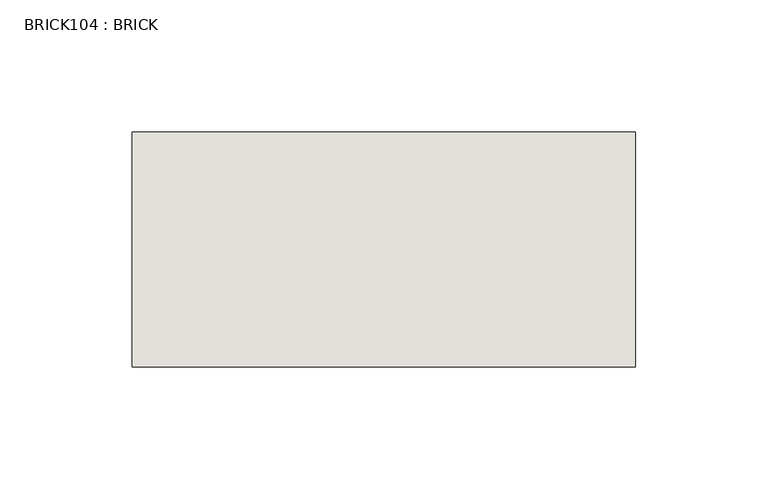
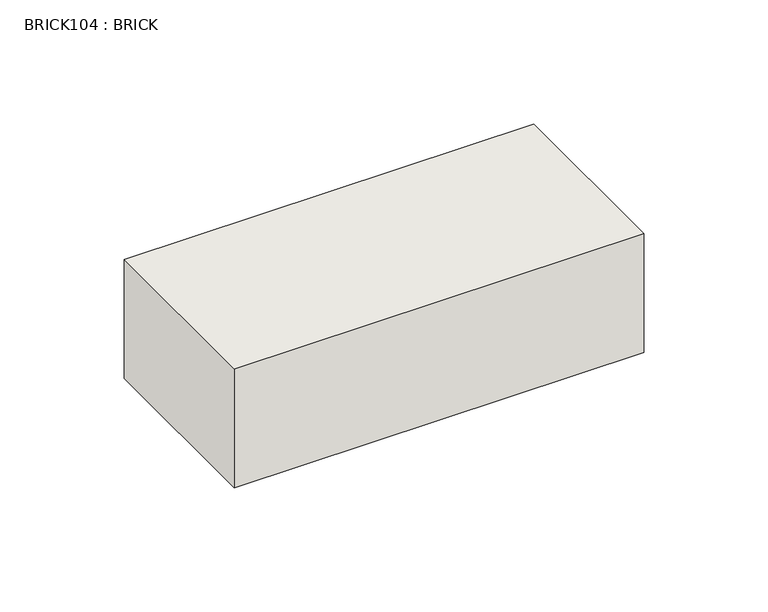
"""IFC4 building model written with IfcOpenShell, lengths in millimetres: wall geometry, BRICK104 : BRICK."""

from ifc_helpers import new_model, si_unit, frame, origin, place, context, project, spatial, polyline, outline, extrude, source, transform, mapped, element, save


def brick104_brick_c2992ce4(model_context):
    return source(origin(), model_context, "Body", "SweptSolid", [
        extrude(outline(polyline([(1138.5272594, 2586.2274125), (1329.0272594, 2586.2274125), (1329.0272594, 2497.3274125), (1138.5272594, 2497.3274125), (1138.5272594, 2586.2274125)])), frame((0.0, 0.0, 423.2671875), z_axis=(0.0, 0.0, 1.0), x_axis=(1.0, 0.0, 0.0)), (0.0, 0.0, 1.0), 58.4398438),
    ])


if __name__ == "__main__":
    model = new_model("IFC4")
    model_context = context("Model", 3, world=origin())
    ifc_project = project(units=[si_unit("LENGTHUNIT", "METRE", prefix="MILLI")], contexts=[model_context])
    site = spatial("IfcSite", under=ifc_project)
    building = spatial("IfcBuilding", under=site)
    placement = place(None, origin())
    brick104_brick_shape = brick104_brick_c2992ce4(model_context)
    element("IfcWall", 1, ObjectType="BRICK104 : BRICK", at=placement, inside=building, context=model_context, shape_type="MappedRepresentation", body=[
        mapped(brick104_brick_shape, transform((0.0, 0.0, 0.0), x_axis=(1.0, 0.0, 0.0), y_axis=(0.0, 1.0, 0.0), z_axis=(0.0, 0.0, 1.0))),
    ])
    save(model, "model.ifc")
